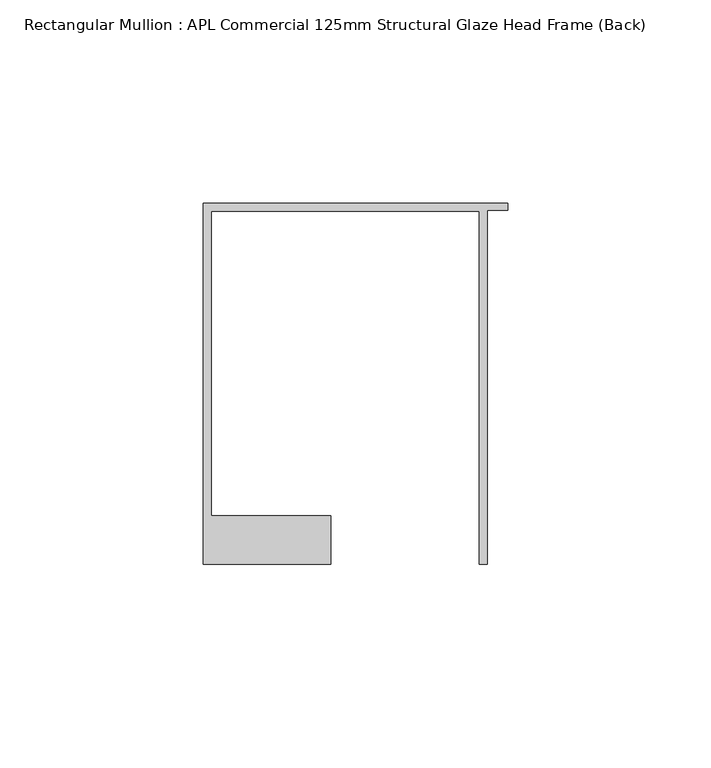
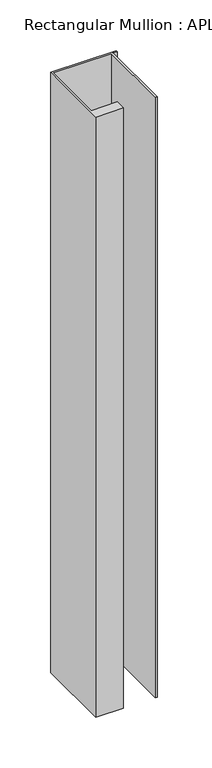
"""IFC4 building model written with IfcOpenShell, lengths in millimetres: member geometry, Rectangular Mullion : APL Commercial 125mm Structural Glaze Head Frame (Back)."""

from ifc_helpers import new_model, si_unit, frame, origin, place, context, project, spatial, polyline, outline, extrude, source, transform, mapped, element, save


def rectangular_mullion_apl_commercial_125mm_structural_glaze_5042dc77(model_context):
    return source(origin(), model_context, "Body", "SweptSolid", [
        extrude(outline(polyline([(-75.0, 103.9993063), (0.0, 103.9993063), (0.0, 102.1993063), (-5.0, 102.1993063), (-5.0, 14.9998342), (-7.0, 14.9998342), (-7.0, 101.9993063), (-73.0, 101.9993063), (-73.0, 26.9997514), (-43.5000151, 26.9997514), (-43.5000151, 14.9998342), (-75.0, 14.9998342), (-75.0, 103.9993063)])), frame((0.0, 0.0, -724.000019), z_axis=(0.0, 0.0, 1.0), x_axis=(1.0, 0.0, 0.0)), (0.0, 0.0, 1.0), 724.000019),
    ])


if __name__ == "__main__":
    model = new_model("IFC4")
    model_context = context("Model", 3, world=origin())
    ifc_project = project(units=[si_unit("LENGTHUNIT", "METRE", prefix="MILLI")], contexts=[model_context])
    site = spatial("IfcSite", under=ifc_project)
    building = spatial("IfcBuilding", under=site)
    placement = place(None, origin())
    rectangular_mullion_apl_commercial_125mm_structural_glaze_shape = rectangular_mullion_apl_commercial_125mm_structural_glaze_5042dc77(model_context)
    element("IfcMember", 1, ObjectType="Rectangular Mullion : APL Commercial 125mm Structural Glaze Head Frame (Back)", at=placement, inside=building, context=model_context, shape_type="MappedRepresentation", body=[
        mapped(rectangular_mullion_apl_commercial_125mm_structural_glaze_shape, transform((0.0, 0.0, 0.0), x_axis=(1.0, 0.0, 0.0), y_axis=(0.0, 1.0, 0.0), z_axis=(0.0, 0.0, 1.0))),
    ])
    save(model, "model.ifc")
